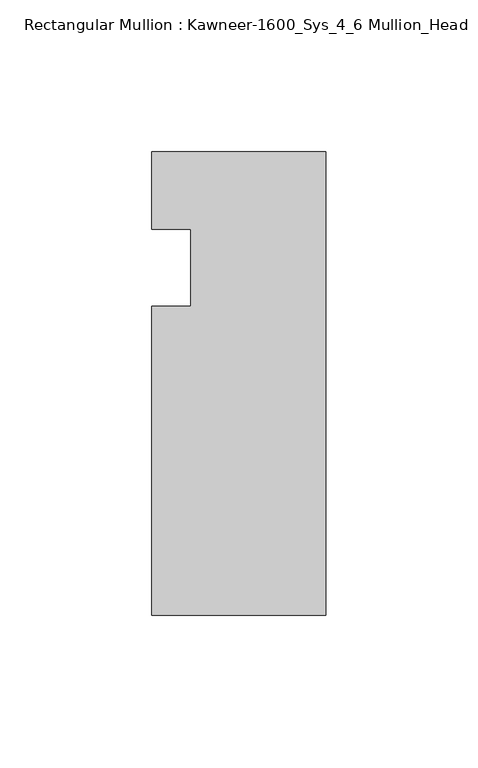
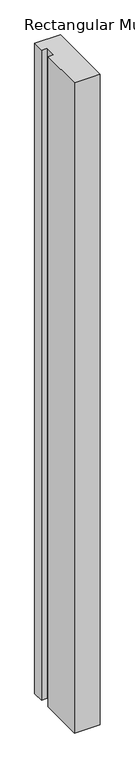
"""IFC4 building model written with IfcOpenShell, lengths in millimetres: member geometry, Rectangular Mullion : Kawneer-1600_Sys_4_6 Mullion_Head."""

from ifc_helpers import new_model, si_unit, frame, origin, place, context, project, spatial, polyline, outline, extrude, source, transform, mapped, element, save


def rectangular_mullion_kawneer_1600_sys_4_6_mullion_head_ce2b07ec(model_context):
    return source(origin(), model_context, "Body", "SweptSolid", [
        extrude(outline(polyline([(-57.15, -114.3), (-57.15, -12.7), (-44.4482296, -12.7), (-44.4482296, 12.7), (-57.15, 12.7), (-57.15, 38.1), (0.0, 38.1), (0.0, -114.3), (-57.15, -114.3)])), frame((0.0, 0.0, -1524.0), z_axis=(0.0, 0.0, 1.0), x_axis=(1.0, 0.0, 0.0)), (0.0, 0.0, 1.0), 1524.0),
    ])


if __name__ == "__main__":
    model = new_model("IFC4")
    model_context = context("Model", 3, world=origin())
    ifc_project = project(units=[si_unit("LENGTHUNIT", "METRE", prefix="MILLI")], contexts=[model_context])
    site = spatial("IfcSite", under=ifc_project)
    building = spatial("IfcBuilding", under=site)
    placement = place(None, origin())
    rectangular_mullion_kawneer_1600_sys_4_6_mullion_head_shape = rectangular_mullion_kawneer_1600_sys_4_6_mullion_head_ce2b07ec(model_context)
    element("IfcMember", 1, ObjectType="Rectangular Mullion : Kawneer-1600_Sys_4_6 Mullion_Head", at=placement, inside=building, context=model_context, shape_type="MappedRepresentation", body=[
        mapped(rectangular_mullion_kawneer_1600_sys_4_6_mullion_head_shape, transform((0.0, 0.0, 0.0), x_axis=(1.0, 0.0, 0.0), y_axis=(0.0, 1.0, 0.0), z_axis=(0.0, 0.0, 1.0))),
    ])
    save(model, "model.ifc")
